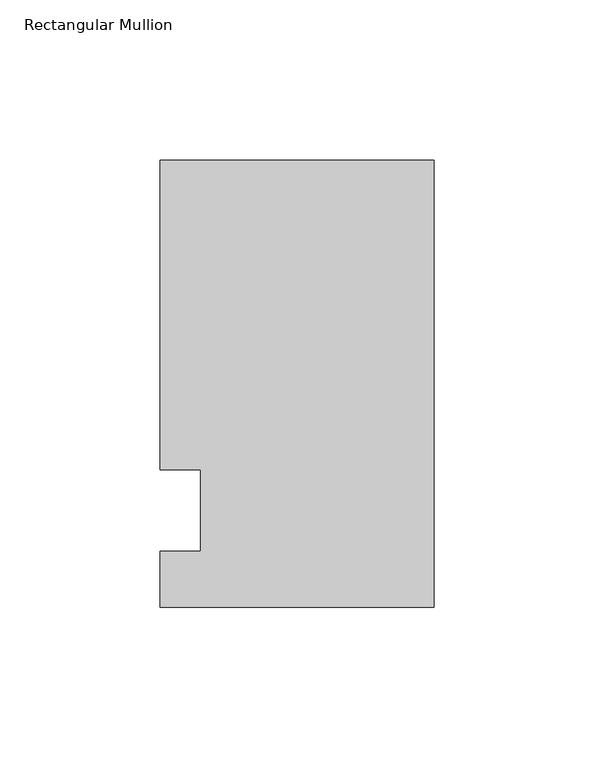
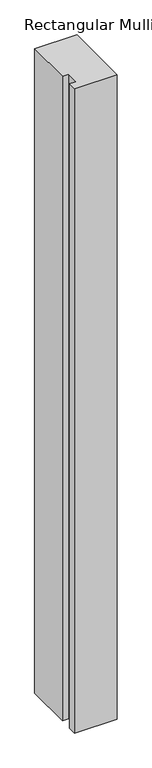
"""IFC4 building model written with IfcOpenShell, lengths in millimetres: member geometry, Rectangular Mullion."""

import ifcopenshell
import ifcopenshell.guid

model = None  # the IFC model being written
_history = None  # IfcOwnerHistory: only IFC2X3 demands one
_inside = {}  # id of a spatial element -> (the spatial element, [elements in it])
_under = {}  # id of a project, library or spatial element -> (it, [spatial elements below it])
_declared = {}  # id of a project -> (the project, [libraries it declares])
_typed = {}  # id of a type object -> (the type object, [elements of that type])
_made_of = {}  # id of a material, layer set ... -> (it, [elements and type objects made of it])


def new_model(schema):
    """Start an empty IFC model of exactly this schema.

    Asked for "IFC4X3", IfcOpenShell would pick the latest addendum, in which some entities
    have other attributes; the version numbers below select the first issue.
    IFC2X3 requires an IfcOwnerHistory on every rooted entity: one is made here for all.
    """
    global model, _history
    if schema == "IFC4X3":
        model = ifcopenshell.file(schema_version=(4, 3, 0, 0))
    else:
        model = ifcopenshell.file(schema=schema)
    _inside.clear()
    _under.clear()
    _declared.clear()
    _typed.clear()
    _made_of.clear()
    _history = None
    if model.schema == "IFC2X3":
        org = make("IfcOrganization", Name="unknown")
        user = make(
            "IfcPersonAndOrganization",
            ThePerson=make("IfcPerson", FamilyName="unknown"),
            TheOrganization=org,
        )
        app = make(
            "IfcApplication",
            ApplicationDeveloper=org,
            Version="unknown",
            ApplicationFullName="unknown",
            ApplicationIdentifier="unknown",
        )
        _history = make(
            "IfcOwnerHistory",
            OwningUser=user,
            OwningApplication=app,
            ChangeAction="ADDED",
            CreationDate=0,
        )
    return model


def make(cls, **values):
    """One entity of the class cls with the attributes given. An attribute that is None is left unset."""
    return model.create_entity(
        cls, **{name: value for name, value in values.items() if value is not None}
    )


def rooted(cls, **values):
    """An entity with a GlobalId (a new one), such as an element, a storey or a relation."""
    return make(cls, GlobalId=ifcopenshell.guid.new(), OwnerHistory=_history, **values)


def si_unit(unit_type, name, prefix=None):
    """IfcSIUnit, for example si_unit("LENGTHUNIT", "METRE", prefix="MILLI")."""
    return make("IfcSIUnit", UnitType=unit_type, Prefix=prefix, Name=name)


def assignment(units):
    """IfcUnitAssignment: the units of a project."""
    return None if units is None else make("IfcUnitAssignment", Units=units)


def point(xyz):
    """IfcCartesianPoint."""
    return None if xyz is None else make("IfcCartesianPoint", Coordinates=xyz)


def direction(xyz):
    """IfcDirection."""
    return None if xyz is None else make("IfcDirection", DirectionRatios=xyz)


def frame(location, z_axis=None, x_axis=None):
    """IfcAxis2Placement3D, a coordinate frame: its origin and axes. An axis left out is left unset."""
    return make(
        "IfcAxis2Placement3D",
        Location=point(location),
        Axis=direction(z_axis),
        RefDirection=direction(x_axis),
    )


def origin():
    """The frame at (0, 0, 0) with its axes left unset."""
    return frame((0.0, 0.0, 0.0))


def place(relative_to, where):
    """IfcLocalPlacement: puts the frame where relative to a parent placement (None: the world)."""
    return make(
        "IfcLocalPlacement", PlacementRelTo=relative_to, RelativePlacement=where
    )


def context(
    kind, dimensions, precision=None, world=None, true_north=None, identifier=None
):
    """IfcGeometricRepresentationContext, for example the 3D "Model" context."""
    return make(
        "IfcGeometricRepresentationContext",
        ContextIdentifier=identifier,
        ContextType=kind,
        CoordinateSpaceDimension=dimensions,
        Precision=precision,
        WorldCoordinateSystem=world,
        TrueNorth=true_north,
    )


def project(units=None, contexts=None):
    """IfcProject with its units and contexts."""
    return rooted(
        "IfcProject",
        Name="project",
        RepresentationContexts=contexts,
        UnitsInContext=assignment(units),
    )


def spatial(cls, under=None, at=None, **own):
    """A site, building, storey or space (cls), placed at a placement, below another one or the project."""
    s = rooted(cls, ObjectPlacement=at, **own)
    if under is not None:
        _under.setdefault(under.id(), (under, []))[1].append(s)
    return s


def polyline(points):
    """IfcPolyline through the points."""
    return make("IfcPolyline", Points=[point(p) for p in points])


def outline(outer, holes=None, kind="AREA"):
    """IfcArbitraryClosedProfileDef: a profile drawn as a closed curve; with holes, ...WithVoids."""
    if holes is None:
        return make("IfcArbitraryClosedProfileDef", ProfileType=kind, OuterCurve=outer)
    return make(
        "IfcArbitraryProfileDefWithVoids",
        ProfileType=kind,
        OuterCurve=outer,
        InnerCurves=holes,
    )


def extrude(swept, where, along, depth):
    """IfcExtrudedAreaSolid: the profile swept, set in the frame where, extruded along a direction by depth."""
    return make(
        "IfcExtrudedAreaSolid",
        SweptArea=swept,
        Position=where,
        ExtrudedDirection=direction(along),
        Depth=depth,
    )


def shape(context_of_items, identifier, shape_type, items):
    """IfcShapeRepresentation: the items that make up one representation, for example the "Body"."""
    return make(
        "IfcShapeRepresentation",
        ContextOfItems=context_of_items,
        RepresentationIdentifier=identifier,
        RepresentationType=shape_type,
        Items=items,
    )


def source(mapping_origin, context_of_items, identifier, shape_type, items):
    """IfcRepresentationMap: a shape defined once, which mapped items show again and again."""
    return make(
        "IfcRepresentationMap",
        MappingOrigin=mapping_origin,
        MappedRepresentation=shape(context_of_items, identifier, shape_type, items),
    )


def transform(
    local_origin,
    x_axis=None,
    y_axis=None,
    z_axis=None,
    scale=None,
    scale2=None,
    scale3=None,
    uniform=True,
):
    """IfcCartesianTransformationOperator3D, or its non-uniform kind. x_axis, y_axis, z_axis: its Axis1, 2, 3."""
    if uniform:
        return make(
            "IfcCartesianTransformationOperator3D",
            Axis1=direction(x_axis),
            Axis2=direction(y_axis),
            LocalOrigin=point(local_origin),
            Scale=scale,
            Axis3=direction(z_axis),
        )
    return make(
        "IfcCartesianTransformationOperator3DnonUniform",
        Axis1=direction(x_axis),
        Axis2=direction(y_axis),
        LocalOrigin=point(local_origin),
        Scale=scale,
        Axis3=direction(z_axis),
        Scale2=scale2,
        Scale3=scale3,
    )


def mapped(mapping_source, mapping_target):
    """IfcMappedItem: shows the shape of a source again, moved by a transform."""
    return make(
        "IfcMappedItem", MappingSource=mapping_source, MappingTarget=mapping_target
    )


def made_of(thing, what):
    """Note that an element or type object is made of a material, layer set ...; save() writes the relation."""
    if what is not None:
        _made_of.setdefault(what.id(), (what, []))[1].append(thing)
    return thing


def element(
    cls,
    number,
    at=None,
    inside=None,
    cuts=None,
    type_object=None,
    material=None,
    context=None,
    identifier="Body",
    shape_type=None,
    held_by="IfcProductDefinitionShape",
    body=None,
    shapes=None,
    **own,
):
    """One element of the class cls, such as IfcWall. Its Tag is "e" and its number.

    at: its placement. inside: the storey or other place that contains it. cuts: it is an
    opening in that element (IfcRelVoidsElement). A single representation is given by context,
    identifier, shape_type and body (its items); several are given by shapes. held_by: the class
    of the entity that holds the representations. save() writes the other relations.
    """
    e = rooted(cls, Tag="e%d" % number, ObjectPlacement=at, **own)
    if body is not None:
        shapes = [shape(context, identifier, shape_type, body)]
    if shapes is not None:
        e.Representation = make(held_by, Representations=shapes)
    if inside is not None:
        _inside.setdefault(inside.id(), (inside, []))[1].append(e)
    if cuts is not None:
        rooted(
            "IfcRelVoidsElement", RelatingBuildingElement=cuts, RelatedOpeningElement=e
        )
    if type_object is not None:
        _typed.setdefault(type_object.id(), (type_object, []))[1].append(e)
    return made_of(e, material)


def aggregate(whole, parts):
    """IfcRelAggregates: a whole, such as a stair, and the parts it consists of."""
    return rooted("IfcRelAggregates", RelatingObject=whole, RelatedObjects=parts)


def save(model, path):
    """Write the relations noted so far, then the file.

    IfcRelAggregates (storeys below a building ...), IfcRelContainedInSpatialStructure (elements
    in a storey), IfcRelDefinesByType, IfcRelAssociatesMaterial and IfcRelDeclares: one each for
    every whole, place, type object, material and project.
    """
    for whole, parts in _under.values():
        aggregate(whole, parts)
    for where, things in _inside.values():
        rooted(
            "IfcRelContainedInSpatialStructure",
            RelatedElements=things,
            RelatingStructure=where,
        )
    for kind, things in _typed.values():
        rooted("IfcRelDefinesByType", RelatedObjects=things, RelatingType=kind)
    for what, things in _made_of.values():
        rooted("IfcRelAssociatesMaterial", RelatedObjects=things, RelatingMaterial=what)
    for by, libraries in _declared.values():
        rooted("IfcRelDeclares", RelatingContext=by, RelatedDefinitions=libraries)
    model.write(path)


def rectangular_mullion_f931609c(model_context):
    return source(origin(), model_context, "Body", "SweptSolid", [
        extrude(outline(polyline([(-85.725, 109.5375), (0.0, 109.5375), (0.0, -30.1625), (-85.725, -30.1625), (-85.725, -12.7), (-73.0232296, -12.7), (-73.0232296, 12.7), (-85.725, 12.7), (-85.725, 109.5375)])), frame((0.0, 0.0, -1378.907264), z_axis=(0.0, 0.0, 1.0), x_axis=(1.0, 0.0, 0.0)), (0.0, 0.0, 1.0), 1378.907264),
    ])


if __name__ == "__main__":
    model = new_model("IFC4")
    model_context = context("Model", 3, world=origin())
    ifc_project = project(units=[si_unit("LENGTHUNIT", "METRE", prefix="MILLI")], contexts=[model_context])
    site = spatial("IfcSite", under=ifc_project)
    building = spatial("IfcBuilding", under=site)
    placement = place(None, origin())
    rectangular_mullion_shape = rectangular_mullion_f931609c(model_context)
    element("IfcMember", 1, ObjectType="Rectangular Mullion", at=placement, inside=building, context=model_context, shape_type="MappedRepresentation", body=[
        mapped(rectangular_mullion_shape, transform((0.0, 0.0, 0.0), x_axis=(1.0, 0.0, 0.0), y_axis=(0.0, 1.0, 0.0), z_axis=(0.0, 0.0, 1.0))),
    ])
    save(model, "model.ifc")
